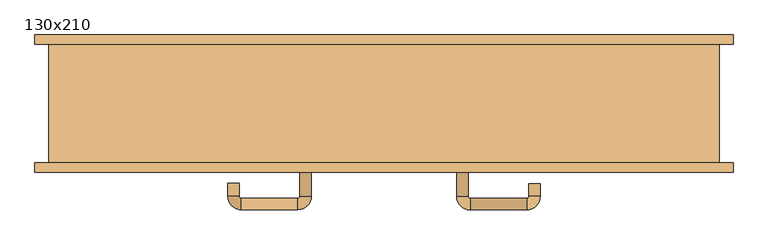
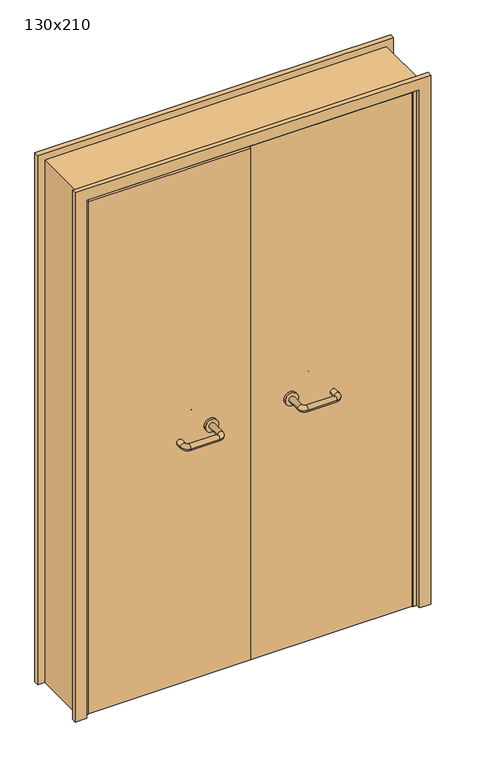
"""IFC4 building model written with IfcOpenShell, lengths in millimetres: door geometry, 130x210."""

import ifcopenshell
import ifcopenshell.guid

model = None  # the IFC model being written
_history = None  # IfcOwnerHistory: only IFC2X3 demands one
_inside = {}  # id of a spatial element -> (the spatial element, [elements in it])
_under = {}  # id of a project, library or spatial element -> (it, [spatial elements below it])
_declared = {}  # id of a project -> (the project, [libraries it declares])
_typed = {}  # id of a type object -> (the type object, [elements of that type])
_made_of = {}  # id of a material, layer set ... -> (it, [elements and type objects made of it])


def new_model(schema):
    """Start an empty IFC model of exactly this schema.

    Asked for "IFC4X3", IfcOpenShell would pick the latest addendum, in which some entities
    have other attributes; the version numbers below select the first issue.
    IFC2X3 requires an IfcOwnerHistory on every rooted entity: one is made here for all.
    """
    global model, _history
    if schema == "IFC4X3":
        model = ifcopenshell.file(schema_version=(4, 3, 0, 0))
    else:
        model = ifcopenshell.file(schema=schema)
    _inside.clear()
    _under.clear()
    _declared.clear()
    _typed.clear()
    _made_of.clear()
    _history = None
    if model.schema == "IFC2X3":
        org = make("IfcOrganization", Name="unknown")
        user = make(
            "IfcPersonAndOrganization",
            ThePerson=make("IfcPerson", FamilyName="unknown"),
            TheOrganization=org,
        )
        app = make(
            "IfcApplication",
            ApplicationDeveloper=org,
            Version="unknown",
            ApplicationFullName="unknown",
            ApplicationIdentifier="unknown",
        )
        _history = make(
            "IfcOwnerHistory",
            OwningUser=user,
            OwningApplication=app,
            ChangeAction="ADDED",
            CreationDate=0,
        )
    return model


def make(cls, **values):
    """One entity of the class cls with the attributes given. An attribute that is None is left unset."""
    return model.create_entity(
        cls, **{name: value for name, value in values.items() if value is not None}
    )


def rooted(cls, **values):
    """An entity with a GlobalId (a new one), such as an element, a storey or a relation."""
    return make(cls, GlobalId=ifcopenshell.guid.new(), OwnerHistory=_history, **values)


def si_unit(unit_type, name, prefix=None):
    """IfcSIUnit, for example si_unit("LENGTHUNIT", "METRE", prefix="MILLI")."""
    return make("IfcSIUnit", UnitType=unit_type, Prefix=prefix, Name=name)


def assignment(units):
    """IfcUnitAssignment: the units of a project."""
    return None if units is None else make("IfcUnitAssignment", Units=units)


def point(xyz):
    """IfcCartesianPoint."""
    return None if xyz is None else make("IfcCartesianPoint", Coordinates=xyz)


def direction(xyz):
    """IfcDirection."""
    return None if xyz is None else make("IfcDirection", DirectionRatios=xyz)


def frame(location, z_axis=None, x_axis=None):
    """IfcAxis2Placement3D, a coordinate frame: its origin and axes. An axis left out is left unset."""
    return make(
        "IfcAxis2Placement3D",
        Location=point(location),
        Axis=direction(z_axis),
        RefDirection=direction(x_axis),
    )


def frame_2d(location, x_axis=None):
    """IfcAxis2Placement2D, a coordinate frame in the plane: its origin and x axis."""
    return make(
        "IfcAxis2Placement2D", Location=point(location), RefDirection=direction(x_axis)
    )


def origin():
    """The frame at (0, 0, 0) with its axes left unset."""
    return frame((0.0, 0.0, 0.0))


def place(relative_to, where):
    """IfcLocalPlacement: puts the frame where relative to a parent placement (None: the world)."""
    return make(
        "IfcLocalPlacement", PlacementRelTo=relative_to, RelativePlacement=where
    )


def context(
    kind, dimensions, precision=None, world=None, true_north=None, identifier=None
):
    """IfcGeometricRepresentationContext, for example the 3D "Model" context."""
    return make(
        "IfcGeometricRepresentationContext",
        ContextIdentifier=identifier,
        ContextType=kind,
        CoordinateSpaceDimension=dimensions,
        Precision=precision,
        WorldCoordinateSystem=world,
        TrueNorth=true_north,
    )


def project(units=None, contexts=None):
    """IfcProject with its units and contexts."""
    return rooted(
        "IfcProject",
        Name="project",
        RepresentationContexts=contexts,
        UnitsInContext=assignment(units),
    )


def spatial(cls, under=None, at=None, **own):
    """A site, building, storey or space (cls), placed at a placement, below another one or the project."""
    s = rooted(cls, ObjectPlacement=at, **own)
    if under is not None:
        _under.setdefault(under.id(), (under, []))[1].append(s)
    return s


def polyline(points):
    """IfcPolyline through the points."""
    return make("IfcPolyline", Points=[point(p) for p in points])


def circle_curve(where, radius):
    """IfcCircle in the frame where."""
    return make("IfcCircle", Position=where, Radius=radius)


def ellipse_curve(where, semi_axis1, semi_axis2):
    """IfcEllipse in the frame where."""
    return make(
        "IfcEllipse", Position=where, SemiAxis1=semi_axis1, SemiAxis2=semi_axis2
    )


def trimmed(basis, trim1, trim2, sense, master):
    """IfcTrimmedCurve: the piece of a basis curve between two trims."""
    return make(
        "IfcTrimmedCurve",
        BasisCurve=basis,
        Trim1=trim1,
        Trim2=trim2,
        SenseAgreement=sense,
        MasterRepresentation=master,
    )


def segment(curve, same_sense, transition):
    """IfcCompositeCurveSegment."""
    return make(
        "IfcCompositeCurveSegment",
        Transition=transition,
        SameSense=same_sense,
        ParentCurve=curve,
    )


def composite_curve(segments, self_intersect=None):
    """IfcCompositeCurve: segments joined end to end."""
    return make("IfcCompositeCurve", Segments=segments, SelfIntersect=self_intersect)


def outline(outer, holes=None, kind="AREA"):
    """IfcArbitraryClosedProfileDef: a profile drawn as a closed curve; with holes, ...WithVoids."""
    if holes is None:
        return make("IfcArbitraryClosedProfileDef", ProfileType=kind, OuterCurve=outer)
    return make(
        "IfcArbitraryProfileDefWithVoids",
        ProfileType=kind,
        OuterCurve=outer,
        InnerCurves=holes,
    )


def extrude(swept, where, along, depth):
    """IfcExtrudedAreaSolid: the profile swept, set in the frame where, extruded along a direction by depth."""
    return make(
        "IfcExtrudedAreaSolid",
        SweptArea=swept,
        Position=where,
        ExtrudedDirection=direction(along),
        Depth=depth,
    )


def faces_of(points, faces, orient=None, outer=None):
    """IfcFace entities. A face is a list of loops; a loop is a list of indices into points, from 0.

    orient and outer hold one flag for each loop. By default every Orientation is true, the
    first loop of a face is its IfcFaceOuterBound and the others are IfcFaceBound.
    """
    made = []
    for i, loops in enumerate(faces):
        bounds = []
        for j, loop in enumerate(loops):
            is_outer = j == 0 if outer is None else outer[i][j]
            bounds.append(
                make(
                    "IfcFaceOuterBound" if is_outer else "IfcFaceBound",
                    Bound=make("IfcPolyLoop", Polygon=[points[k] for k in loop]),
                    Orientation=True if orient is None else orient[i][j],
                )
            )
        made.append(make("IfcFace", Bounds=bounds))
    return made


def faceted_brep(points, faces, orient=None, outer=None, voids=None):
    """IfcFacetedBrep: a solid bounded by flat faces; with voids (closed shells), ...WithVoids."""
    shared = [point(p) for p in points]
    hull = make("IfcClosedShell", CfsFaces=faces_of(shared, faces, orient, outer))
    if voids is None:
        return make("IfcFacetedBrep", Outer=hull)
    return make(
        "IfcFacetedBrepWithVoids",
        Outer=hull,
        Voids=[
            make(cls, CfsFaces=faces_of(shared, fs, o, b)) for cls, fs, o, b in voids
        ],
    )


def shape(context_of_items, identifier, shape_type, items):
    """IfcShapeRepresentation: the items that make up one representation, for example the "Body"."""
    return make(
        "IfcShapeRepresentation",
        ContextOfItems=context_of_items,
        RepresentationIdentifier=identifier,
        RepresentationType=shape_type,
        Items=items,
    )


def source(mapping_origin, context_of_items, identifier, shape_type, items):
    """IfcRepresentationMap: a shape defined once, which mapped items show again and again."""
    return make(
        "IfcRepresentationMap",
        MappingOrigin=mapping_origin,
        MappedRepresentation=shape(context_of_items, identifier, shape_type, items),
    )


def transform(
    local_origin,
    x_axis=None,
    y_axis=None,
    z_axis=None,
    scale=None,
    scale2=None,
    scale3=None,
    uniform=True,
):
    """IfcCartesianTransformationOperator3D, or its non-uniform kind. x_axis, y_axis, z_axis: its Axis1, 2, 3."""
    if uniform:
        return make(
            "IfcCartesianTransformationOperator3D",
            Axis1=direction(x_axis),
            Axis2=direction(y_axis),
            LocalOrigin=point(local_origin),
            Scale=scale,
            Axis3=direction(z_axis),
        )
    return make(
        "IfcCartesianTransformationOperator3DnonUniform",
        Axis1=direction(x_axis),
        Axis2=direction(y_axis),
        LocalOrigin=point(local_origin),
        Scale=scale,
        Axis3=direction(z_axis),
        Scale2=scale2,
        Scale3=scale3,
    )


def mapped(mapping_source, mapping_target):
    """IfcMappedItem: shows the shape of a source again, moved by a transform."""
    return make(
        "IfcMappedItem", MappingSource=mapping_source, MappingTarget=mapping_target
    )


def made_of(thing, what):
    """Note that an element or type object is made of a material, layer set ...; save() writes the relation."""
    if what is not None:
        _made_of.setdefault(what.id(), (what, []))[1].append(thing)
    return thing


def element(
    cls,
    number,
    at=None,
    inside=None,
    cuts=None,
    type_object=None,
    material=None,
    context=None,
    identifier="Body",
    shape_type=None,
    held_by="IfcProductDefinitionShape",
    body=None,
    shapes=None,
    **own,
):
    """One element of the class cls, such as IfcWall. Its Tag is "e" and its number.

    at: its placement. inside: the storey or other place that contains it. cuts: it is an
    opening in that element (IfcRelVoidsElement). A single representation is given by context,
    identifier, shape_type and body (its items); several are given by shapes. held_by: the class
    of the entity that holds the representations. save() writes the other relations.
    """
    e = rooted(cls, Tag="e%d" % number, ObjectPlacement=at, **own)
    if body is not None:
        shapes = [shape(context, identifier, shape_type, body)]
    if shapes is not None:
        e.Representation = make(held_by, Representations=shapes)
    if inside is not None:
        _inside.setdefault(inside.id(), (inside, []))[1].append(e)
    if cuts is not None:
        rooted(
            "IfcRelVoidsElement", RelatingBuildingElement=cuts, RelatedOpeningElement=e
        )
    if type_object is not None:
        _typed.setdefault(type_object.id(), (type_object, []))[1].append(e)
    return made_of(e, material)


def aggregate(whole, parts):
    """IfcRelAggregates: a whole, such as a stair, and the parts it consists of."""
    return rooted("IfcRelAggregates", RelatingObject=whole, RelatedObjects=parts)


def save(model, path):
    """Write the relations noted so far, then the file.

    IfcRelAggregates (storeys below a building ...), IfcRelContainedInSpatialStructure (elements
    in a storey), IfcRelDefinesByType, IfcRelAssociatesMaterial and IfcRelDeclares: one each for
    every whole, place, type object, material and project.
    """
    for whole, parts in _under.values():
        aggregate(whole, parts)
    for where, things in _inside.values():
        rooted(
            "IfcRelContainedInSpatialStructure",
            RelatedElements=things,
            RelatingStructure=where,
        )
    for kind, things in _typed.values():
        rooted("IfcRelDefinesByType", RelatedObjects=things, RelatingType=kind)
    for what, things in _made_of.values():
        rooted("IfcRelAssociatesMaterial", RelatedObjects=things, RelatingMaterial=what)
    for by, libraries in _declared.values():
        rooted("IfcRelDeclares", RelatingContext=by, RelatedDefinitions=libraries)
    model.write(path)


def plane_surface(at):
    """IfcPlane: the flat surface through the origin of the frame at, square to its z axis."""
    return make("IfcPlane", Position=at)


def cylinder_surface(at, radius):
    """IfcCylindricalSurface: all points at the distance radius from the z axis of the frame at."""
    return make("IfcCylindricalSurface", Position=at, Radius=radius)


def revolved_surface(curve, axis_point, axis_direction):
    """IfcSurfaceOfRevolution: the curve turned about the line through axis_point along axis_direction."""
    return make(
        "IfcSurfaceOfRevolution",
        SweptCurve=make("IfcArbitraryOpenProfileDef", ProfileType="CURVE", Curve=curve),
        AxisPosition=make("IfcAxis1Placement", Location=point(axis_point), Axis=direction(axis_direction)),
    )


def advanced_brep(points, edges, surfaces, faces):
    """IfcAdvancedBrep: a solid bounded by faces that lie on surfaces and meet in shared edges.

    An edge is (start, end): straight between two places in points (the first is 0);
    or (start, end, curve); or (start, end, curve, False) where it runs against its curve.
    A face is (place in surfaces, loops), or (place, loops, False) where it looks against
    its surface's normal. A loop lists edges by number (the first is 1), with a minus sign
    where the edge is run from its end to its start. The first loop is the outer one.
    """
    corners = [point(p) for p in points]
    vertices = [make("IfcVertexPoint", VertexGeometry=c) for c in corners]
    made = []
    for start, end, *more in edges:
        made.append(
            make(
                "IfcEdgeCurve",
                EdgeStart=vertices[start],
                EdgeEnd=vertices[end],
                EdgeGeometry=more[0] if more else make("IfcPolyline", Points=[corners[start], corners[end]]),
                SameSense=more[1] if len(more) > 1 else True,
            )
        )
    hull = []
    for where, loops, *sense in faces:
        bounds = []
        for j, loop in enumerate(loops):
            ring = [make("IfcOrientedEdge", EdgeElement=made[abs(k) - 1], Orientation=k > 0) for k in loop]
            bounds.append(
                make(
                    "IfcFaceOuterBound" if j == 0 else "IfcFaceBound",
                    Bound=make("IfcEdgeLoop", EdgeList=ring),
                    Orientation=True,
                )
            )
        hull.append(make("IfcAdvancedFace", Bounds=bounds, FaceSurface=surfaces[where], SameSense=sense[0] if sense else True))
    return make("IfcAdvancedBrep", Outer=make("IfcClosedShell", CfsFaces=hull))


def door_130x210_ba66cb26(model_context):
    return source(origin(), model_context, "Body", "SolidModel", [
        faceted_brep([(-597.0, -68.0, 0.0), (-618.0, -68.0, 0.0), (-618.0, 90.0, 0.0), (-597.0, 90.0, 0.0), (-597.0, 90.0, 2047.0), (-597.0, -68.0, 2047.0), (-618.0, 90.0, 2068.0), (-618.0, -68.0, 2068.0), (597.0, -68.0, 0.0), (597.0, 90.0, 0.0), (618.0, 90.0, 0.0), (618.0, -68.0, 0.0), (597.0, -68.0, 2047.0), (618.0, -68.0, 2068.0), (618.0, 90.0, 2068.0), (597.0, 90.0, 2047.0)], [[[0, 1, 2, 3]], [[3, 4, 5, 0]], [[2, 6, 4, 3]], [[1, 7, 6, 2]], [[0, 5, 7, 1]], [[8, 9, 10, 11]], [[12, 8, 11, 13]], [[13, 11, 10, 14]], [[14, 10, 9, 15]], [[15, 9, 8, 12]], [[4, 15, 12, 5]], [[6, 14, 15, 4]], [[7, 13, 14, 6]], [[5, 12, 13, 7]]]),
        extrude(outline(polyline([(2127.0, 677.0), (2127.0, -677.0), (0.0, -677.0), (0.0, -633.0), (2083.0, -633.0), (2083.0, 633.0), (0.0, 633.0), (0.0, 677.0), (2127.0, 677.0)])), frame((0.0, -133.0, 0.0), z_axis=(0.0, 1.0, 0.0), x_axis=(0.0, 0.0, 1.0)), (0.0, 0.0, 1.0), 18.0),
        extrude(outline(polyline([(2127.0, -677.0), (0.0, -677.0), (0.0, -633.0), (2083.0, -633.0), (2083.0, 633.0), (0.0, 633.0), (0.0, 677.0), (2127.0, 677.0), (2127.0, -677.0)])), frame((0.0, 115.0, 0.0), z_axis=(0.0, 1.0, 0.0), x_axis=(0.0, 0.0, 1.0)), (0.0, 0.0, 1.0), 18.0),
        extrude(outline(polyline([(2100.0, -650.0), (0.0, -650.0), (0.0, -618.0), (2068.0, -618.0), (2068.0, 618.0), (0.0, 618.0), (0.0, 650.0), (2100.0, 650.0), (2100.0, -650.0)])), frame((0.0, -115.0, 0.0), z_axis=(0.0, 1.0, 0.0), x_axis=(0.0, 0.0, 1.0)), (0.0, 0.0, 1.0), 230.0),
        extrude(outline(polyline([(1.0739506, -71.0), (1.0739506, -115.0), (-615.0, -115.0), (-615.0, -71.0), (1.0739506, -71.0)])), frame((0.0, 0.0, 1.753223), z_axis=(0.0, 0.0, 1.0), x_axis=(1.0, 0.0, 0.0)), (0.0, 0.0, 1.0), 2057.246777),
        extrude(outline(polyline([(615.0, -71.0), (615.0, -115.0), (1.0739506, -115.0), (1.0739506, -71.0), (615.0, -71.0)])), frame((0.0, 0.0, 1.753223), z_axis=(0.0, 0.0, 1.0), x_axis=(1.0, 0.0, 0.0)), (0.0, 0.0, 1.0), 2066.246777),
        extrude(outline(polyline([(2100.0, -650.0), (0.0, -650.0), (0.0, -618.0), (2068.0, -618.0), (2068.0, 618.0), (0.0, 618.0), (0.0, 650.0), (2100.0, 650.0), (2100.0, -650.0)])), frame((0.0, -115.0, 0.0), z_axis=(0.0, 1.0, 0.0), x_axis=(0.0, 0.0, 1.0)), (0.0, 0.0, 1.0), 230.0),
        advanced_brep(
        [(140.99898, -61.0, 1003.0), (162.99898, -61.0, 1003.0), (162.99898, -5.6474631, 1003.0), (140.99898, -5.6474631, 1003.0), (166.99898, -1.6474631, 1003.0), (166.99898, 20.3525369, 1003.0), (276.99898, -1.6474631, 1003.0), (276.99898, 20.3525369, 1003.0), (280.99898, -5.6474631, 1003.0), (302.99898, -5.6474631, 1003.0), (302.99898, -23.0, 1003.0), (280.99898, -23.0, 1003.0)],
        [
            (0, 1, circle_curve(frame((151.99898, -61.0, 1003.0), z_axis=(0.0, -1.0, 0.0), x_axis=(1.0, 0.0, 0.0)), 11.0)),
            (1, 0, circle_curve(frame((151.99898, -61.0, 1003.0), z_axis=(0.0, -1.0, 0.0), x_axis=(1.0, 0.0, 0.0)), 11.0)),
            (1, 2),
            (2, 3, circle_curve(frame((151.99898, -5.6474631, 1003.0), z_axis=(0.0, -1.0, 0.0), x_axis=(1.0, 0.0, 0.0)), 11.0)),
            (3, 0),
            (3, 2, circle_curve(frame((151.99898, -5.6474631, 1003.0), z_axis=(0.0, -1.0, 0.0), x_axis=(1.0, 0.0, 0.0)), 11.0)),
            (4, 5, circle_curve(frame((166.99898, 9.3525369, 1003.0), z_axis=(-1.0, 0.0, 0.0), x_axis=(0.0, -1.0, 0.0)), 11.0)),
            (5, 3, circle_curve(frame((166.99898, -5.6474631, 1003.0), z_axis=(0.0, 0.0, 1.0), x_axis=(-1.0, 0.0, 0.0)), 26.0)),
            (2, 4, circle_curve(frame((166.99898, -5.6474631, 1003.0), z_axis=(0.0, 0.0, -1.0), x_axis=(-1.0, 0.0, 0.0)), 4.0)),
            (5, 4, circle_curve(frame((166.99898, 9.3525369, 1003.0), z_axis=(-1.0, 0.0, 0.0), x_axis=(0.0, -1.0, 0.0)), 11.0)),
            (4, 6),
            (6, 7, circle_curve(frame((276.99898, 9.3525369, 1003.0), z_axis=(-1.0, 0.0, 0.0), x_axis=(0.0, -1.0, 0.0)), 11.0)),
            (7, 5),
            (7, 6, circle_curve(frame((276.99898, 9.3525369, 1003.0), z_axis=(-1.0, 0.0, 0.0), x_axis=(0.0, -1.0, 0.0)), 11.0)),
            (8, 9, circle_curve(frame((291.99898, -5.6474631, 1003.0), z_axis=(0.0, 1.0, 0.0), x_axis=(-1.0, 0.0, 0.0)), 11.0)),
            (9, 7, circle_curve(frame((276.99898, -5.6474631, 1003.0), z_axis=(0.0, 0.0, 1.0), x_axis=(0.0, 1.0, 0.0)), 26.0)),
            (6, 8, circle_curve(frame((276.99898, -5.6474631, 1003.0), z_axis=(0.0, 0.0, -1.0), x_axis=(0.0, 1.0, 0.0)), 4.0)),
            (9, 8, circle_curve(frame((291.99898, -5.6474631, 1003.0), z_axis=(0.0, 1.0, 0.0), x_axis=(-1.0, 0.0, 0.0)), 11.0)),
            (10, 11, circle_curve(frame((291.99898, -23.0, 1003.0), z_axis=(0.0, -1.0, 0.0), x_axis=(-1.0, 0.0, 0.0)), 11.0)),
            (11, 10, circle_curve(frame((291.99898, -23.0, 1003.0), z_axis=(0.0, -1.0, 0.0), x_axis=(-1.0, 0.0, 0.0)), 11.0)),
            (8, 11),
            (10, 9),
        ],
        [
            plane_surface(frame((140.99898, -61.0, 1003.0), z_axis=(0.0, -1.0, 0.0), x_axis=(0.0, 0.0, -1.0))),
            cylinder_surface(frame((151.99898, -61.0, 1003.0), z_axis=(0.0, -1.0, 0.0), x_axis=(1.0, 0.0, 0.0)), 11.0),
            revolved_surface(trimmed(ellipse_curve(frame((151.99898, -5.6474631, 1003.0), z_axis=(0.0, 1.0, 0.0), x_axis=(1.0, 0.0, 0.0)), 11.0, 11.0), [point((140.99898, -5.6474631, 1003.0))], [point((162.99898, -5.6474631, 1003.0))], True, "CARTESIAN"), (166.99898, -5.6474631, 1003.0), (0.0, 0.0, 1.0)),
            revolved_surface(trimmed(ellipse_curve(frame((151.99898, -5.6474631, 1003.0), z_axis=(0.0, 1.0, 0.0), x_axis=(1.0, 0.0, 0.0)), 11.0, 11.0), [point((162.99898, -5.6474631, 1003.0))], [point((140.99898, -5.6474631, 1003.0))], True, "CARTESIAN"), (166.99898, -5.6474631, 1003.0), (0.0, 0.0, 1.0)),
            cylinder_surface(frame((166.99898, 9.3525369, 1003.0), z_axis=(-1.0, 0.0, 0.0), x_axis=(0.0, -1.0, 0.0)), 11.0),
            revolved_surface(trimmed(ellipse_curve(frame((276.99898, 9.3525369, 1003.0), z_axis=(1.0, 0.0, 0.0), x_axis=(0.0, -1.0, 0.0)), 11.0, 11.0), [point((276.99898, 20.3525369, 1003.0))], [point((276.99898, -1.6474631, 1003.0))], True, "CARTESIAN"), (276.99898, -5.6474631, 1003.0), (0.0, 0.0, 1.0)),
            revolved_surface(trimmed(ellipse_curve(frame((276.99898, 9.3525369, 1003.0), z_axis=(1.0, 0.0, 0.0), x_axis=(0.0, -1.0, 0.0)), 11.0, 11.0), [point((276.99898, -1.6474631, 1003.0))], [point((276.99898, 20.3525369, 1003.0))], True, "CARTESIAN"), (276.99898, -5.6474631, 1003.0), (0.0, 0.0, 1.0)),
            plane_surface(frame((280.99898, -23.0, 1003.0), z_axis=(0.0, -1.0, 0.0), x_axis=(0.0, 0.0, 1.0))),
            cylinder_surface(frame((291.99898, -5.6474631, 1003.0), z_axis=(0.0, 1.0, 0.0), x_axis=(-1.0, 0.0, 0.0)), 11.0),
        ],
        [
            (0, [[1, 2]]),
            (1, [[3, 4, 5, -2]]),
            (1, [[-5, 6, -3, -1]]),
            (2, [[7, 8, -4, 9]]),
            (3, [[10, -9, -6, -8]]),
            (4, [[11, 12, 13, -7]]),
            (4, [[-13, 14, -11, -10]]),
            (5, [[15, 16, -12, 17]]),
            (6, [[18, -17, -14, -16]]),
            (7, [[19, 20]]),
            (8, [[21, -19, 22, -15]]),
            (8, [[-22, -20, -21, -18]]),
        ],
    ),
        extrude(outline(composite_curve([segment(trimmed(circle_curve(frame_2d((1003.0, 151.99898)), 25.0), [point((1003.0, 126.99898))], [point((1003.0, 176.99898))], False, "CARTESIAN"), True, "CONTINUOUS"), segment(trimmed(circle_curve(frame_2d((1003.0, 151.99898)), 25.0), [point((1003.0, 176.99898))], [point((1003.0, 126.99898))], False, "CARTESIAN"), True, "CONTINUOUS")], self_intersect=False)), frame((0.0, -71.0, 0.0), z_axis=(0.0, 1.0, 0.0), x_axis=(0.0, 0.0, 1.0)), (0.0, 0.0, 1.0), 10.0),
        advanced_brep(
        [(162.99898, -125.0, 1003.0), (140.99898, -125.0, 1003.0), (140.99898, -180.0, 1003.0), (162.99898, -180.0, 1003.0), (166.99898, -206.0, 1003.0), (166.99898, -184.0, 1003.0), (276.99898, -206.0, 1003.0), (276.99898, -184.0, 1003.0), (302.99898, -180.0, 1003.0), (280.99898, -180.0, 1003.0), (280.99898, -155.0, 1003.0), (302.99898, -155.0, 1003.0)],
        [
            (0, 1, circle_curve(frame((151.99898, -125.0, 1003.0), z_axis=(0.0, 1.0, 0.0), x_axis=(-1.0, 0.0, 0.0)), 11.0)),
            (1, 0, circle_curve(frame((151.99898, -125.0, 1003.0), z_axis=(0.0, 1.0, 0.0), x_axis=(-1.0, 0.0, 0.0)), 11.0)),
            (1, 2),
            (2, 3, circle_curve(frame((151.99898, -180.0, 1003.0), z_axis=(0.0, 1.0, 0.0), x_axis=(-1.0, 0.0, 0.0)), 11.0)),
            (3, 0),
            (3, 2, circle_curve(frame((151.99898, -180.0, 1003.0), z_axis=(0.0, 1.0, 0.0), x_axis=(-1.0, 0.0, 0.0)), 11.0)),
            (4, 5, circle_curve(frame((166.99898, -195.0, 1003.0), z_axis=(-1.0, 0.0, 0.0), x_axis=(0.0, -1.0, 0.0)), 11.0)),
            (5, 3, circle_curve(frame((166.99898, -180.0, 1003.0), z_axis=(0.0, 0.0, -1.0), x_axis=(-1.0, 0.0, 0.0)), 4.0)),
            (2, 4, circle_curve(frame((166.99898, -180.0, 1003.0), z_axis=(0.0, 0.0, 1.0), x_axis=(-1.0, 0.0, 0.0)), 26.0)),
            (5, 4, circle_curve(frame((166.99898, -195.0, 1003.0), z_axis=(-1.0, 0.0, 0.0), x_axis=(0.0, -1.0, 0.0)), 11.0)),
            (4, 6),
            (6, 7, circle_curve(frame((276.99898, -195.0, 1003.0), z_axis=(-1.0, 0.0, 0.0), x_axis=(0.0, -1.0, 0.0)), 11.0)),
            (7, 5),
            (7, 6, circle_curve(frame((276.99898, -195.0, 1003.0), z_axis=(-1.0, 0.0, 0.0), x_axis=(0.0, -1.0, 0.0)), 11.0)),
            (8, 9, circle_curve(frame((291.99898, -180.0, 1003.0), z_axis=(0.0, -1.0, 0.0), x_axis=(1.0, 0.0, 0.0)), 11.0)),
            (9, 7, circle_curve(frame((276.99898, -180.0, 1003.0), z_axis=(0.0, 0.0, -1.0), x_axis=(0.0, -1.0, 0.0)), 4.0)),
            (6, 8, circle_curve(frame((276.99898, -180.0, 1003.0), z_axis=(0.0, 0.0, 1.0), x_axis=(0.0, -1.0, 0.0)), 26.0)),
            (9, 8, circle_curve(frame((291.99898, -180.0, 1003.0), z_axis=(0.0, -1.0, 0.0), x_axis=(1.0, 0.0, 0.0)), 11.0)),
            (10, 11, circle_curve(frame((291.99898, -155.0, 1003.0), z_axis=(0.0, 1.0, 0.0), x_axis=(1.0, 0.0, 0.0)), 11.0)),
            (11, 10, circle_curve(frame((291.99898, -155.0, 1003.0), z_axis=(0.0, 1.0, 0.0), x_axis=(1.0, 0.0, 0.0)), 11.0)),
            (8, 11),
            (10, 9),
        ],
        [
            plane_surface(frame((140.99898, -125.0, 1003.0), z_axis=(0.0, 1.0, 0.0), x_axis=(0.0, 0.0, 1.0))),
            cylinder_surface(frame((151.99898, -125.0, 1003.0), z_axis=(0.0, 1.0, 0.0), x_axis=(-1.0, 0.0, 0.0)), 11.0),
            revolved_surface(trimmed(ellipse_curve(frame((151.99898, -180.0, 1003.0), z_axis=(0.0, -1.0, 0.0), x_axis=(-1.0, 0.0, 0.0)), 11.0, 11.0), [point((162.99898, -180.0, 1003.0))], [point((140.99898, -180.0, 1003.0))], True, "CARTESIAN"), (166.99898, -180.0, 1003.0), (0.0, 0.0, -1.0)),
            revolved_surface(trimmed(ellipse_curve(frame((151.99898, -180.0, 1003.0), z_axis=(0.0, -1.0, 0.0), x_axis=(-1.0, 0.0, 0.0)), 11.0, 11.0), [point((140.99898, -180.0, 1003.0))], [point((162.99898, -180.0, 1003.0))], True, "CARTESIAN"), (166.99898, -180.0, 1003.0), (0.0, 0.0, -1.0)),
            cylinder_surface(frame((166.99898, -195.0, 1003.0), z_axis=(-1.0, 0.0, 0.0), x_axis=(0.0, -1.0, 0.0)), 11.0),
            revolved_surface(trimmed(ellipse_curve(frame((276.99898, -195.0, 1003.0), z_axis=(1.0, 0.0, 0.0), x_axis=(0.0, -1.0, 0.0)), 11.0, 11.0), [point((276.99898, -184.0, 1003.0))], [point((276.99898, -206.0, 1003.0))], True, "CARTESIAN"), (276.99898, -180.0, 1003.0), (0.0, 0.0, -1.0)),
            revolved_surface(trimmed(ellipse_curve(frame((276.99898, -195.0, 1003.0), z_axis=(1.0, 0.0, 0.0), x_axis=(0.0, -1.0, 0.0)), 11.0, 11.0), [point((276.99898, -206.0, 1003.0))], [point((276.99898, -184.0, 1003.0))], True, "CARTESIAN"), (276.99898, -180.0, 1003.0), (0.0, 0.0, -1.0)),
            plane_surface(frame((280.99898, -155.0, 1003.0), z_axis=(0.0, 1.0, 0.0), x_axis=(0.0, 0.0, -1.0))),
            cylinder_surface(frame((291.99898, -180.0, 1003.0), z_axis=(0.0, -1.0, 0.0), x_axis=(1.0, 0.0, 0.0)), 11.0),
        ],
        [
            (0, [[1, 2]]),
            (1, [[3, 4, 5, -2]]),
            (1, [[-5, 6, -3, -1]]),
            (2, [[7, 8, -4, 9]]),
            (3, [[10, -9, -6, -8]]),
            (4, [[11, 12, 13, -7]]),
            (4, [[-13, 14, -11, -10]]),
            (5, [[15, 16, -12, 17]]),
            (6, [[18, -17, -14, -16]]),
            (7, [[19, 20]]),
            (8, [[21, -19, 22, -15]]),
            (8, [[-22, -20, -21, -18]]),
        ],
    ),
        extrude(outline(composite_curve([segment(trimmed(circle_curve(frame_2d((1003.0, 151.99898)), 25.0), [point((1003.0, 176.99898))], [point((1003.0, 126.99898))], False, "CARTESIAN"), True, "CONTINUOUS"), segment(trimmed(circle_curve(frame_2d((1003.0, 151.99898)), 25.0), [point((1003.0, 126.99898))], [point((1003.0, 176.99898))], False, "CARTESIAN"), True, "CONTINUOUS")], self_intersect=False)), frame((0.0, -125.0, 0.0), z_axis=(0.0, 1.0, 0.0), x_axis=(0.0, 0.0, 1.0)), (0.0, 0.0, 1.0), 10.0),
        advanced_brep(
        [(-162.99898, -60.6886121, 1003.0), (-140.99898, -60.6886121, 1003.0), (-140.99898, -5.2779553, 1003.0), (-162.99898, -5.2779553, 1003.0), (-166.99898, 20.7220447, 1003.0), (-166.99898, -1.2779553, 1003.0), (-276.99898, 20.7220447, 1003.0), (-276.99898, -1.2779553, 1003.0), (-302.99898, -5.2779553, 1003.0), (-280.99898, -5.2779553, 1003.0), (-280.99898, -30.2779553, 1003.0), (-302.99898, -30.2779553, 1003.0)],
        [
            (0, 1, circle_curve(frame((-151.99898, -60.6886121, 1003.0), z_axis=(0.0, -1.0, 0.0), x_axis=(1.0, 0.0, 0.0)), 11.0)),
            (1, 0, circle_curve(frame((-151.99898, -60.6886121, 1003.0), z_axis=(0.0, -1.0, 0.0), x_axis=(1.0, 0.0, 0.0)), 11.0)),
            (1, 2),
            (2, 3, circle_curve(frame((-151.99898, -5.2779553, 1003.0), z_axis=(0.0, -1.0, 0.0), x_axis=(1.0, 0.0, 0.0)), 11.0)),
            (3, 0),
            (3, 2, circle_curve(frame((-151.99898, -5.2779553, 1003.0), z_axis=(0.0, -1.0, 0.0), x_axis=(1.0, 0.0, 0.0)), 11.0)),
            (4, 5, circle_curve(frame((-166.99898, 9.7220447, 1003.0), z_axis=(1.0, 0.0, 0.0), x_axis=(0.0, 1.0, 0.0)), 11.0)),
            (5, 3, circle_curve(frame((-166.99898, -5.2779553, 1003.0), z_axis=(0.0, 0.0, -1.0), x_axis=(1.0, 0.0, 0.0)), 4.0)),
            (2, 4, circle_curve(frame((-166.99898, -5.2779553, 1003.0), z_axis=(0.0, 0.0, 1.0), x_axis=(1.0, 0.0, 0.0)), 26.0)),
            (5, 4, circle_curve(frame((-166.99898, 9.7220447, 1003.0), z_axis=(1.0, 0.0, 0.0), x_axis=(0.0, 1.0, 0.0)), 11.0)),
            (4, 6),
            (6, 7, circle_curve(frame((-276.99898, 9.7220447, 1003.0), z_axis=(1.0, 0.0, 0.0), x_axis=(0.0, 1.0, 0.0)), 11.0)),
            (7, 5),
            (7, 6, circle_curve(frame((-276.99898, 9.7220447, 1003.0), z_axis=(1.0, 0.0, 0.0), x_axis=(0.0, 1.0, 0.0)), 11.0)),
            (8, 9, circle_curve(frame((-291.99898, -5.2779553, 1003.0), z_axis=(0.0, 1.0, 0.0), x_axis=(-1.0, 0.0, 0.0)), 11.0)),
            (9, 7, circle_curve(frame((-276.99898, -5.2779553, 1003.0), z_axis=(0.0, 0.0, -1.0), x_axis=(0.0, 1.0, 0.0)), 4.0)),
            (6, 8, circle_curve(frame((-276.99898, -5.2779553, 1003.0), z_axis=(0.0, 0.0, 1.0), x_axis=(0.0, 1.0, 0.0)), 26.0)),
            (9, 8, circle_curve(frame((-291.99898, -5.2779553, 1003.0), z_axis=(0.0, 1.0, 0.0), x_axis=(-1.0, 0.0, 0.0)), 11.0)),
            (10, 11, circle_curve(frame((-291.99898, -30.2779553, 1003.0), z_axis=(0.0, -1.0, 0.0), x_axis=(-1.0, 0.0, 0.0)), 11.0)),
            (11, 10, circle_curve(frame((-291.99898, -30.2779553, 1003.0), z_axis=(0.0, -1.0, 0.0), x_axis=(-1.0, 0.0, 0.0)), 11.0)),
            (8, 11),
            (10, 9),
        ],
        [
            plane_surface(frame((-162.99898, -60.6886121, 1003.0), z_axis=(0.0, -1.0, 0.0), x_axis=(0.0, 0.0, -1.0))),
            cylinder_surface(frame((-151.99898, -60.6886121, 1003.0), z_axis=(0.0, -1.0, 0.0), x_axis=(1.0, 0.0, 0.0)), 11.0),
            revolved_surface(trimmed(ellipse_curve(frame((-151.99898, -5.2779553, 1003.0), z_axis=(0.0, 1.0, 0.0), x_axis=(1.0, 0.0, 0.0)), 11.0, 11.0), [point((-162.99898, -5.2779553, 1003.0))], [point((-140.99898, -5.2779553, 1003.0))], True, "CARTESIAN"), (-166.99898, -5.2779553, 1003.0), (0.0, 0.0, -1.0)),
            revolved_surface(trimmed(ellipse_curve(frame((-151.99898, -5.2779553, 1003.0), z_axis=(0.0, 1.0, 0.0), x_axis=(1.0, 0.0, 0.0)), 11.0, 11.0), [point((-140.99898, -5.2779553, 1003.0))], [point((-162.99898, -5.2779553, 1003.0))], True, "CARTESIAN"), (-166.99898, -5.2779553, 1003.0), (0.0, 0.0, -1.0)),
            cylinder_surface(frame((-166.99898, 9.7220447, 1003.0), z_axis=(1.0, 0.0, 0.0), x_axis=(0.0, 1.0, 0.0)), 11.0),
            revolved_surface(trimmed(ellipse_curve(frame((-276.99898, 9.7220447, 1003.0), z_axis=(-1.0, 0.0, 0.0), x_axis=(0.0, 1.0, 0.0)), 11.0, 11.0), [point((-276.99898, -1.2779553, 1003.0))], [point((-276.99898, 20.7220447, 1003.0))], True, "CARTESIAN"), (-276.99898, -5.2779553, 1003.0), (0.0, 0.0, -1.0)),
            revolved_surface(trimmed(ellipse_curve(frame((-276.99898, 9.7220447, 1003.0), z_axis=(-1.0, 0.0, 0.0), x_axis=(0.0, 1.0, 0.0)), 11.0, 11.0), [point((-276.99898, 20.7220447, 1003.0))], [point((-276.99898, -1.2779553, 1003.0))], True, "CARTESIAN"), (-276.99898, -5.2779553, 1003.0), (0.0, 0.0, -1.0)),
            plane_surface(frame((-302.99898, -30.2779553, 1003.0), z_axis=(0.0, -1.0, 0.0), x_axis=(0.0, 0.0, 1.0))),
            cylinder_surface(frame((-291.99898, -5.2779553, 1003.0), z_axis=(0.0, 1.0, 0.0), x_axis=(-1.0, 0.0, 0.0)), 11.0),
        ],
        [
            (0, [[1, 2]]),
            (1, [[3, 4, 5, -2]]),
            (1, [[-5, 6, -3, -1]]),
            (2, [[7, 8, -4, 9]]),
            (3, [[10, -9, -6, -8]]),
            (4, [[11, 12, 13, -7]]),
            (4, [[-13, 14, -11, -10]]),
            (5, [[15, 16, -12, 17]]),
            (6, [[18, -17, -14, -16]]),
            (7, [[19, 20]]),
            (8, [[21, -19, 22, -15]]),
            (8, [[-22, -20, -21, -18]]),
        ],
    ),
        extrude(outline(composite_curve([segment(trimmed(circle_curve(frame_2d((1003.0, -151.99898)), 25.0), [point((1003.0, -176.99898))], [point((1003.0, -126.99898))], False, "CARTESIAN"), True, "CONTINUOUS"), segment(trimmed(circle_curve(frame_2d((1003.0, -151.99898)), 25.0), [point((1003.0, -126.99898))], [point((1003.0, -176.99898))], False, "CARTESIAN"), True, "CONTINUOUS")], self_intersect=False)), frame((0.0, -71.0, 0.0), z_axis=(0.0, 1.0, 0.0), x_axis=(0.0, 0.0, 1.0)), (0.0, 0.0, 1.0), 10.3113879),
        advanced_brep(
        [(-140.99898, -124.5143417, 1003.0), (-162.99898, -124.5143417, 1003.0), (-162.99898, -179.6104656, 1003.0), (-140.99898, -179.6104656, 1003.0), (-166.99898, -183.6104656, 1003.0), (-166.99898, -205.6104656, 1003.0), (-276.99898, -183.6104656, 1003.0), (-276.99898, -205.6104656, 1003.0), (-280.99898, -179.6104656, 1003.0), (-302.99898, -179.6104656, 1003.0), (-302.99898, -154.6104656, 1003.0), (-280.99898, -154.6104656, 1003.0)],
        [
            (0, 1, circle_curve(frame((-151.99898, -124.5143417, 1003.0), z_axis=(0.0, 1.0, 0.0), x_axis=(-1.0, 0.0, 0.0)), 11.0)),
            (1, 0, circle_curve(frame((-151.99898, -124.5143417, 1003.0), z_axis=(0.0, 1.0, 0.0), x_axis=(-1.0, 0.0, 0.0)), 11.0)),
            (1, 2),
            (2, 3, circle_curve(frame((-151.99898, -179.6104656, 1003.0), z_axis=(0.0, 1.0, 0.0), x_axis=(-1.0, 0.0, 0.0)), 11.0)),
            (3, 0),
            (3, 2, circle_curve(frame((-151.99898, -179.6104656, 1003.0), z_axis=(0.0, 1.0, 0.0), x_axis=(-1.0, 0.0, 0.0)), 11.0)),
            (4, 5, circle_curve(frame((-166.99898, -194.6104656, 1003.0), z_axis=(1.0, 0.0, 0.0), x_axis=(0.0, 1.0, 0.0)), 11.0)),
            (5, 3, circle_curve(frame((-166.99898, -179.6104656, 1003.0), z_axis=(0.0, 0.0, 1.0), x_axis=(1.0, 0.0, 0.0)), 26.0)),
            (2, 4, circle_curve(frame((-166.99898, -179.6104656, 1003.0), z_axis=(0.0, 0.0, -1.0), x_axis=(1.0, 0.0, 0.0)), 4.0)),
            (5, 4, circle_curve(frame((-166.99898, -194.6104656, 1003.0), z_axis=(1.0, 0.0, 0.0), x_axis=(0.0, 1.0, 0.0)), 11.0)),
            (4, 6),
            (6, 7, circle_curve(frame((-276.99898, -194.6104656, 1003.0), z_axis=(1.0, 0.0, 0.0), x_axis=(0.0, 1.0, 0.0)), 11.0)),
            (7, 5),
            (7, 6, circle_curve(frame((-276.99898, -194.6104656, 1003.0), z_axis=(1.0, 0.0, 0.0), x_axis=(0.0, 1.0, 0.0)), 11.0)),
            (8, 9, circle_curve(frame((-291.99898, -179.6104656, 1003.0), z_axis=(0.0, -1.0, 0.0), x_axis=(1.0, 0.0, 0.0)), 11.0)),
            (9, 7, circle_curve(frame((-276.99898, -179.6104656, 1003.0), z_axis=(0.0, 0.0, 1.0), x_axis=(0.0, -1.0, 0.0)), 26.0)),
            (6, 8, circle_curve(frame((-276.99898, -179.6104656, 1003.0), z_axis=(0.0, 0.0, -1.0), x_axis=(0.0, -1.0, 0.0)), 4.0)),
            (9, 8, circle_curve(frame((-291.99898, -179.6104656, 1003.0), z_axis=(0.0, -1.0, 0.0), x_axis=(1.0, 0.0, 0.0)), 11.0)),
            (10, 11, circle_curve(frame((-291.99898, -154.6104656, 1003.0), z_axis=(0.0, 1.0, 0.0), x_axis=(1.0, 0.0, 0.0)), 11.0)),
            (11, 10, circle_curve(frame((-291.99898, -154.6104656, 1003.0), z_axis=(0.0, 1.0, 0.0), x_axis=(1.0, 0.0, 0.0)), 11.0)),
            (8, 11),
            (10, 9),
        ],
        [
            plane_surface(frame((-162.99898, -124.5143417, 1003.0), z_axis=(0.0, 1.0, 0.0), x_axis=(0.0, 0.0, 1.0))),
            cylinder_surface(frame((-151.99898, -124.5143417, 1003.0), z_axis=(0.0, 1.0, 0.0), x_axis=(-1.0, 0.0, 0.0)), 11.0),
            revolved_surface(trimmed(ellipse_curve(frame((-151.99898, -179.6104656, 1003.0), z_axis=(0.0, -1.0, 0.0), x_axis=(-1.0, 0.0, 0.0)), 11.0, 11.0), [point((-140.99898, -179.6104656, 1003.0))], [point((-162.99898, -179.6104656, 1003.0))], True, "CARTESIAN"), (-166.99898, -179.6104656, 1003.0), (0.0, 0.0, 1.0)),
            revolved_surface(trimmed(ellipse_curve(frame((-151.99898, -179.6104656, 1003.0), z_axis=(0.0, -1.0, 0.0), x_axis=(-1.0, 0.0, 0.0)), 11.0, 11.0), [point((-162.99898, -179.6104656, 1003.0))], [point((-140.99898, -179.6104656, 1003.0))], True, "CARTESIAN"), (-166.99898, -179.6104656, 1003.0), (0.0, 0.0, 1.0)),
            cylinder_surface(frame((-166.99898, -194.6104656, 1003.0), z_axis=(1.0, 0.0, 0.0), x_axis=(0.0, 1.0, 0.0)), 11.0),
            revolved_surface(trimmed(ellipse_curve(frame((-276.99898, -194.6104656, 1003.0), z_axis=(-1.0, 0.0, 0.0), x_axis=(0.0, 1.0, 0.0)), 11.0, 11.0), [point((-276.99898, -205.6104656, 1003.0))], [point((-276.99898, -183.6104656, 1003.0))], True, "CARTESIAN"), (-276.99898, -179.6104656, 1003.0), (0.0, 0.0, 1.0)),
            revolved_surface(trimmed(ellipse_curve(frame((-276.99898, -194.6104656, 1003.0), z_axis=(-1.0, 0.0, 0.0), x_axis=(0.0, 1.0, 0.0)), 11.0, 11.0), [point((-276.99898, -183.6104656, 1003.0))], [point((-276.99898, -205.6104656, 1003.0))], True, "CARTESIAN"), (-276.99898, -179.6104656, 1003.0), (0.0, 0.0, 1.0)),
            plane_surface(frame((-302.99898, -154.6104656, 1003.0), z_axis=(0.0, 1.0, 0.0), x_axis=(0.0, 0.0, -1.0))),
            cylinder_surface(frame((-291.99898, -179.6104656, 1003.0), z_axis=(0.0, -1.0, 0.0), x_axis=(1.0, 0.0, 0.0)), 11.0),
        ],
        [
            (0, [[1, 2]]),
            (1, [[3, 4, 5, -2]]),
            (1, [[-5, 6, -3, -1]]),
            (2, [[7, 8, -4, 9]]),
            (3, [[10, -9, -6, -8]]),
            (4, [[11, 12, 13, -7]]),
            (4, [[-13, 14, -11, -10]]),
            (5, [[15, 16, -12, 17]]),
            (6, [[18, -17, -14, -16]]),
            (7, [[19, 20]]),
            (8, [[21, -19, 22, -15]]),
            (8, [[-22, -20, -21, -18]]),
        ],
    ),
        extrude(outline(composite_curve([segment(trimmed(circle_curve(frame_2d((1003.0, -151.99898)), 25.0), [point((1003.0, -126.99898))], [point((1003.0, -176.99898))], False, "CARTESIAN"), True, "CONTINUOUS"), segment(trimmed(circle_curve(frame_2d((1003.0, -151.99898)), 25.0), [point((1003.0, -176.99898))], [point((1003.0, -126.99898))], False, "CARTESIAN"), True, "CONTINUOUS")], self_intersect=False)), frame((0.0, -124.5143417, 0.0), z_axis=(0.0, 1.0, 0.0), x_axis=(0.0, 0.0, 1.0)), (0.0, 0.0, 1.0), 9.5143417),
    ])


if __name__ == "__main__":
    model = new_model("IFC4")
    model_context = context("Model", 3, world=origin())
    ifc_project = project(units=[si_unit("LENGTHUNIT", "METRE", prefix="MILLI")], contexts=[model_context])
    site = spatial("IfcSite", under=ifc_project)
    building = spatial("IfcBuilding", under=site)
    placement = place(None, origin())
    door_130x210_shape = door_130x210_ba66cb26(model_context)
    element("IfcDoor", 1, ObjectType="130x210", at=placement, inside=building, context=model_context, shape_type="MappedRepresentation", body=[
        mapped(door_130x210_shape, transform((0.0, 0.0, 0.0), x_axis=(1.0, 0.0, 0.0), y_axis=(0.0, 1.0, 0.0), z_axis=(0.0, 0.0, 1.0))),
    ])
    save(model, "model.ifc")
